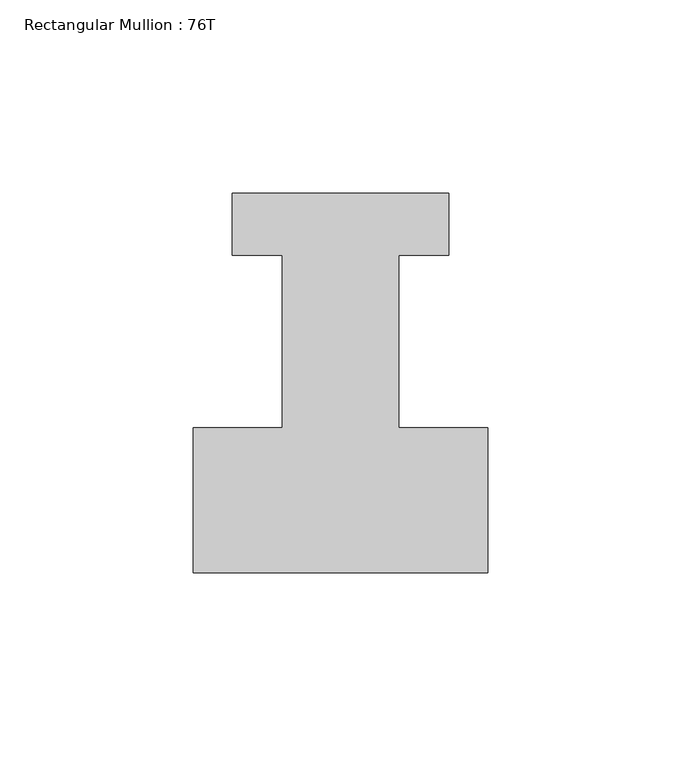
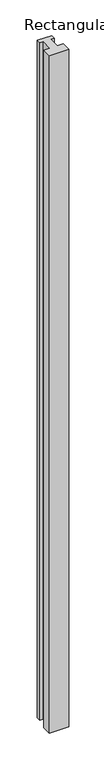
"""IFC4 building model written with IfcOpenShell, lengths in millimetres: member geometry, Rectangular Mullion : 76T."""

from ifc_helpers import new_model, si_unit, frame, origin, place, context, project, spatial, polyline, outline, extrude, source, transform, mapped, element, save


def rectangular_mullion_76t_a24779e8(model_context):
    return source(origin(), model_context, "Body", "SweptSolid", [
        extrude(outline(polyline([(38.0, -38.0), (-38.0, -38.0), (-38.0, -0.5), (-15.0, -0.5), (-15.0, 44.0), (-28.0, 44.0), (-28.0, 60.0), (28.0, 60.0), (28.0, 44.0), (15.0, 44.0), (15.0, -0.5), (38.0, -0.5), (38.0, -38.0)])), frame((0.0, 0.0, -2800.0), z_axis=(0.0, 0.0, 1.0), x_axis=(1.0, 0.0, 0.0)), (0.0, 0.0, 1.0), 2800.0),
    ])


if __name__ == "__main__":
    model = new_model("IFC4")
    model_context = context("Model", 3, world=origin())
    ifc_project = project(units=[si_unit("LENGTHUNIT", "METRE", prefix="MILLI")], contexts=[model_context])
    site = spatial("IfcSite", under=ifc_project)
    building = spatial("IfcBuilding", under=site)
    placement = place(None, origin())
    rectangular_mullion_76t_shape = rectangular_mullion_76t_a24779e8(model_context)
    element("IfcMember", 1, ObjectType="Rectangular Mullion : 76T", at=placement, inside=building, context=model_context, shape_type="MappedRepresentation", body=[
        mapped(rectangular_mullion_76t_shape, transform((0.0, 0.0, 0.0), x_axis=(1.0, 0.0, 0.0), y_axis=(0.0, 1.0, 0.0), z_axis=(0.0, 0.0, 1.0))),
    ])
    save(model, "model.ifc")
